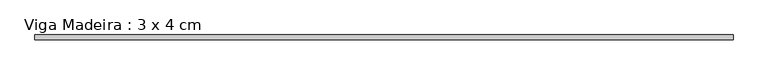
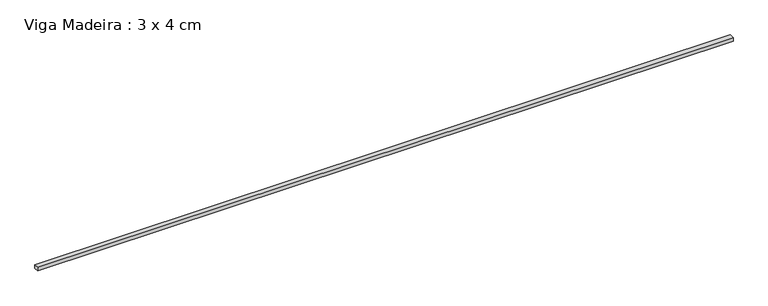
"""IFC4 building model written with IfcOpenShell, lengths in millimetres: beam geometry, Viga Madeira : 3 x 4 cm."""

from ifc_helpers import new_model, si_unit, frame, origin, place, context, project, spatial, polyline, outline, extrude, source, transform, mapped, element, save


def viga_madeira_3_x_4_cm_15c84b33(model_context):
    return source(origin(), model_context, "Body", "SweptSolid", [
        extrude(outline(polyline([(2868.0466176, 20.0), (2868.0466176, -20.0), (-2868.0466176, -20.0), (-2868.0466176, 20.0), (2868.0466176, 20.0)])), frame((0.0, 0.0, -15.0), z_axis=(0.0, 0.0, 1.0), x_axis=(1.0, 0.0, 0.0)), (0.0, 0.0, 1.0), 30.0),
    ])


if __name__ == "__main__":
    model = new_model("IFC4")
    model_context = context("Model", 3, world=origin())
    ifc_project = project(units=[si_unit("LENGTHUNIT", "METRE", prefix="MILLI")], contexts=[model_context])
    site = spatial("IfcSite", under=ifc_project)
    building = spatial("IfcBuilding", under=site)
    placement = place(None, origin())
    viga_madeira_3_x_4_cm_shape = viga_madeira_3_x_4_cm_15c84b33(model_context)
    element("IfcBeam", 1, ObjectType="Viga Madeira : 3 x 4 cm", at=placement, inside=building, context=model_context, shape_type="MappedRepresentation", body=[
        mapped(viga_madeira_3_x_4_cm_shape, transform((0.0, 0.0, 0.0), x_axis=(1.0, 0.0, 0.0), y_axis=(0.0, 1.0, 0.0), z_axis=(0.0, 0.0, 1.0))),
    ])
    save(model, "model.ifc")
